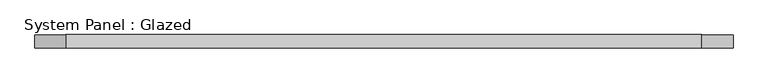
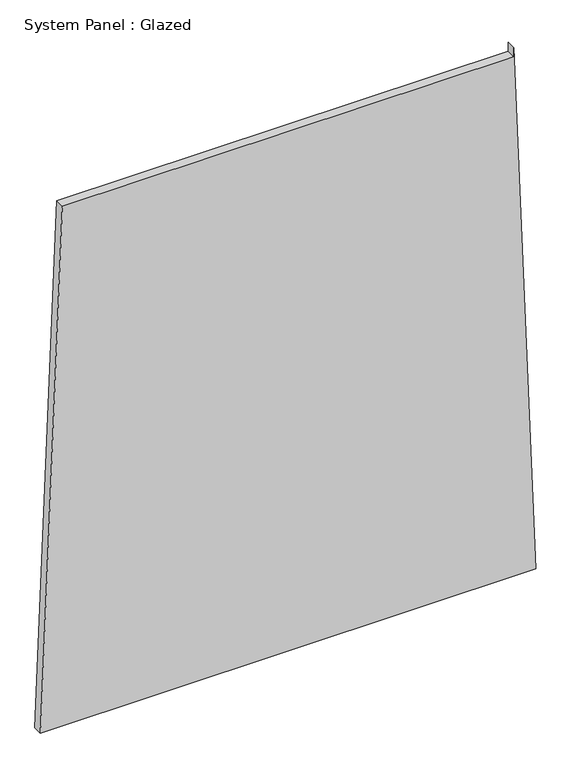
"""IFC4 building model written with IfcOpenShell, lengths in millimetres: plate geometry, System Panel : Glazed."""

from ifc_helpers import new_model, si_unit, frame, origin, place, context, project, spatial, polyline, outline, extrude, source, transform, mapped, element, save


def system_panel_glazed_6b76a051(model_context):
    return source(origin(), model_context, "Body", "SweptSolid", [
        extrude(outline(polyline([(0.0, -653.3801526), (0.0, 653.3801526), (1473.8146886, 594.7477003), (1448.8146886, 594.7477003), (1448.8146885, -595.7427742), (0.0, -653.3801526)])), frame((0.0, -49.5, 0.0), z_axis=(0.0, 1.0, 0.0), x_axis=(0.0, 0.0, 1.0)), (0.0, 0.0, 1.0), 25.0),
    ])


if __name__ == "__main__":
    model = new_model("IFC4")
    model_context = context("Model", 3, world=origin())
    ifc_project = project(units=[si_unit("LENGTHUNIT", "METRE", prefix="MILLI")], contexts=[model_context])
    site = spatial("IfcSite", under=ifc_project)
    building = spatial("IfcBuilding", under=site)
    placement = place(None, origin())
    system_panel_glazed_shape = system_panel_glazed_6b76a051(model_context)
    element("IfcPlate", 1, ObjectType="System Panel : Glazed", at=placement, inside=building, context=model_context, shape_type="MappedRepresentation", body=[
        mapped(system_panel_glazed_shape, transform((0.0, 0.0, 0.0), x_axis=(1.0, 0.0, 0.0), y_axis=(0.0, 1.0, 0.0), z_axis=(0.0, 0.0, 1.0))),
    ])
    save(model, "model.ifc")
